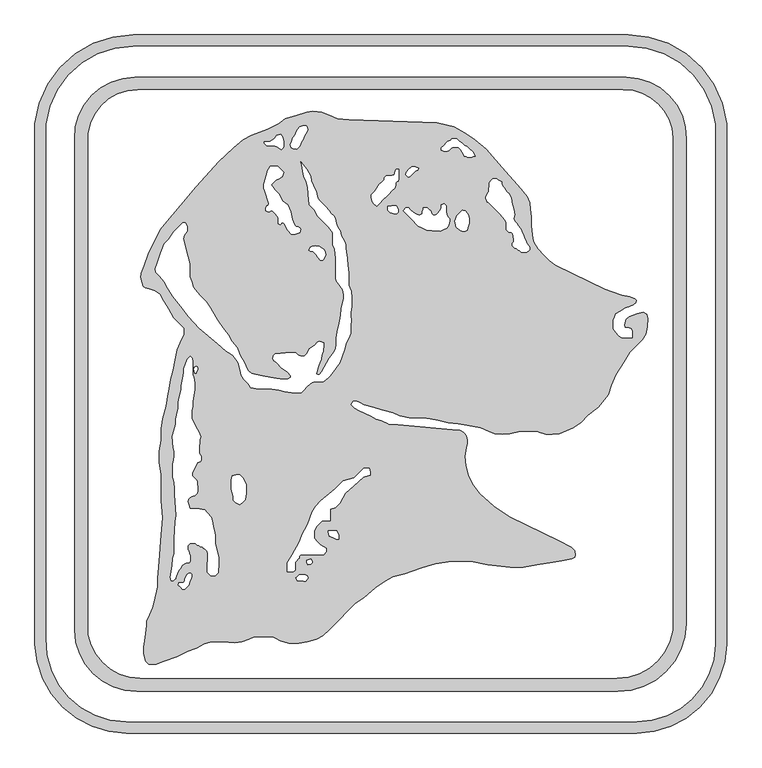
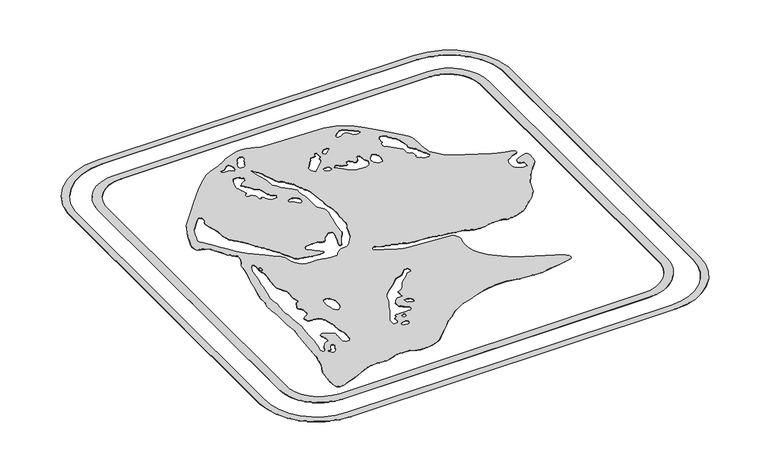
"""IFC4 building model written with IfcOpenShell, lengths in millimetres: proxy geometry."""

from ifc_helpers import new_model, si_unit, point, frame_2d, origin, origin_with_axes, place, context, project, spatial, polyline, circle_curve, trimmed, segment, composite_curve, outline, extrude, source, transform, mapped, element, save


def generic_models_950f86a3(model_context):
    return source(origin(), model_context, "Body", "SweptSolid", [
        extrude(outline(composite_curve([segment(polyline([(-387.0221852, -516.2870504), (-388.6656862, -510.1534214), (-390.5963422, -502.9481152), (-390.5963422, -492.1809), (-388.570592, -475.6824886), (-386.1047062, -455.5994604), (-386.1047062, -449.2494604), (-380.7374542, -437.7393515), (-375.3702023, -426.2292426), (-371.50385, -409.4822309), (-367.2185324, -390.9204812), (-367.2185324, -377.0286593), (-364.6888746, -348.0025917), (-361.5881994, -303.6608696), (-359.1064808, -275.1848718), (-361.5881994, -246.818699), (-361.5881994, -227.768699), (-361.5881994, -202.368699), (-364.8961972, -182.7157831), (-364.8961972, -163.6657831), (-361.5881994, -144.9051954), (-361.5881994, -125.8551954), (-358.6920211, -109.4301525), (-352.9220935, -87.8964894), (-350.0548506, -71.6355467), (-347.8495187, -59.1284882), (-345.0491372, -43.2467355), (-340.8501158, -27.5757741), (-337.7543521, -10.0188261), (-334.8223413, 6.6094334), (-329.4550894, 18.1195423), (-322.6260411, 32.7644838), (-322.6260411, 42.6436383), (-328.2700569, 48.2876542), (-340.5945097, 60.6121069), (-349.0098248, 75.1878603), (-356.7990748, 88.679237), (-363.3654642, 100.0525571), (-371.1420526, 105.4977829), (-381.5495306, 109.2857951), (-387.8030598, 110.388461), (-391.8910832, 113.2509259), (-393.5345842, 119.3845549), (-395.8237588, 127.9278708), (-394.5141352, 135.3551153), (-390.1704794, 147.2892116), (-381.9983233, 169.7420258), (-363.3599002, 207.9564563), (-351.1147963, 222.5496029), (-328.6289441, 249.347198), (-303.0444505, 279.8376102), (-264.8036363, 322.3083369), (-239.784168, 345.6393686), (-223.8861899, 358.9793562), (-209.4935982, 366.312748), (-183.004596, 376.4809232), (-164.1657871, 386.0797758), (-153.0579989, 393.8575328), (-133.3679753, 400.2552093), (-117.1409629, 404.7640051), (-107.5709536, 406.451456), (-92.3904601, 405.1233349), (-73.4454568, 397.8510295), (-65.9527987, 394.3571456), (-46.9752897, 392.6968287), (101.2689628, 387.5200254), (129.0439627, 381.1076614), (148.8485778, 369.6734615), (164.6417436, 359.0208367), (184.0992724, 342.6940314), (210.0611888, 312.8282631), (241.6110499, 276.5342996), (252.4928105, 263.0964444), (256.9311042, 253.5784928), (258.0982864, 242.4734962), (259.4257978, 229.8430682), (259.4257978, 214.5035394), (261.6809886, 193.0468328), (263.3244895, 186.9132038), (270.6089103, 176.5099729), (280.3436717, 164.908536), (289.3239278, 155.9282799), (299.7271587, 148.6438591), (382.6918937, 108.1792542), (394.62599, 103.8355984), (411.440709, 97.7155412), (424.3033779, 95.4475056), (432.8411556, 92.3400086), (435.2006463, 89.9805179), (434.3908653, 85.3880214), (430.8265137, 81.8236699), (423.3153218, 79.0898196), (417.3482737, 76.9179917), (409.6505392, 72.4737026), (400.2854716, 67.0667783), (398.4303112, 61.9697671), (396.2584833, 56.002719), (396.2584833, 50.829182), (396.2584833, 42.1897215), (400.0256305, 35.6648311), (405.1350926, 30.555369), (410.520198, 27.1903817), (414.2839187, 25.8204994), (419.2438797, 25.8204994), (425.5938797, 25.8204994), (429.3185399, 26.8185191), (429.3185399, 29.9897387), (429.3185399, 37.5629264), (428.1446585, 41.9439116), (424.2142475, 43.3744642), (417.1121039, 44.6267637), (415.9795587, 48.85348), (419.1440533, 57.5478574), (423.6341814, 62.0379854), (437.1731903, 66.9657817), (447.6252193, 69.7663944), (453.0103247, 66.4014071), (454.8757895, 59.4393978), (453.6457366, 45.3798288), (451.4404047, 32.8727703), (445.3343272, 23.1010036), (434.9146055, 12.6812819), (424.389588, 2.1562644), (414.294626, -13.9990518), (400.8346767, -35.5394734), (393.6984211, -53.2023259), (388.8213713, -69.154437), (371.6635727, -89.6023051), (354.3670776, -103.6087307), (342.3284598, -115.6473485), (330.2754536, -124.4043701), (305.9657367, -134.2261333), (294.9019415, -135.1940899), (283.5695635, -135.1940899), (272.8642, -131.9211318), (268.3877666, -130.2918433), (247.7542097, -130.2918433), (237.7211671, -131.1696208), (223.4232099, -134.2087454), (210.7715373, -135.3156234), (198.1198646, -134.2087454), (187.7072639, -129.7888586), (174.6002501, -124.2252614), (151.9699741, -120.2349331), (136.6735823, -117.5377666), (119.7933792, -116.0609402), (103.4260726, -111.6753336), (90.0031609, -109.3085121), (77.4961025, -107.1031802), (54.9364475, -107.1031802), (39.1359919, -104.3171336), (27.625883, -98.9498817), (8.2851408, -93.7675454), (-5.2445192, -90.1422839), (-20.7601464, -85.9848841), (-30.0799246, -80.6041077), (-36.2135536, -78.9606068), (-39.8215072, -79.927355), (-42.1131699, -82.2190177), (-43.1058604, -85.9237891), (-37.6631509, -91.3664986), (-30.264795, -95.6379414), (-21.0588951, -99.9307229), (-9.5487863, -105.2979749), (-1.3639049, -110.0235183), (7.3597124, -112.3610045), (18.8698213, -117.7282565), (19.7518288, -117.9645896), (35.3706342, -119.3310581), (135.8204689, -128.1192798)]), True, "CONTINUOUS"), segment(trimmed(circle_curve(frame_2d((134.2721061, -145.8171478)), 17.765471), [point((135.8204689, -128.1192798))], [point((151.9699741, -144.268785))], False, "CARTESIAN"), True, "CONTINUOUS"), segment(polyline([(151.9699741, -144.268785), (151.9699741, -151.424663), (150.3264732, -157.558292), (147.8470875, -171.619587), (149.2610704, -187.7814856), (153.3146589, -204.0395412), (160.4894751, -218.1209109), (172.972362, -234.6862612), (196.5672102, -255.931158), (222.25702, -273.2591535), (305.6754985, -313.945064), (326.3816289, -324.9547088), (332.2477148, -330.8207947), (333.3049919, -337.0821576), (332.366378, -341.4979888), (327.6641026, -344.2128488), (310.3886363, -347.129938), (295.0851738, -349.7140399), (268.3556496, -354.2275161), (246.1171956, -357.9826422), (224.0653531, -357.9826422), (186.1740689, -354.0001078), (158.1523894, -348.0439159), (126.4023894, -348.0439159), (98.6810762, -352.724863), (75.7225737, -358.8765752), (47.1147148, -369.2889843), (27.4311212, -374.5631873), (13.2583327, -381.7845837), (-2.3465137, -392.7112148), (-21.8040426, -409.0380201), (-35.9112623, -418.9160017), (-47.5201997, -430.5249391), (-64.7879174, -447.7926568), (-79.8889632, -462.8937026), (-90.1871346, -473.191874), (-101.2948049, -479.3489562), (-116.2629719, -483.3596645), (-130.876457, -485.6742131), (-147.4696018, -485.6742131), (-161.6010697, -481.8876977), (-169.2063943, -477.4967615), (-172.4905203, -475.9653484), (-191.4941155, -474.6364875), (-205.5981047, -474.6364875), (-214.5095022, -479.1770714), (-226.4435985, -483.5207272), (-237.8171398, -484.9299091), (-257.9693803, -483.5207272), (-277.0193803, -483.5207272), (-289.2866383, -486.8077291), (-303.0552126, -493.8231681), (-317.1611792, -498.9573201), (-335.3620154, -508.2311093), (-356.7826475, -516.0275818), (-369.8320572, -520.7771785), (-382.5320572, -520.7771785), (-387.0221852, -516.2870504)]), True, "CONTINUOUS")], self_intersect=False), holes=[polyline([(-179.6488264, 355.6513622), (-188.3812356, 355.6513622), (-188.3812356, 352.9892428), (-184.6463728, 349.2543801), (-173.4809419, 349.2543801), (-167.5138938, 347.0825521), (-160.4107015, 342.1088433), (-157.4150315, 345.1045133), (-155.5470292, 346.9725156), (-155.5470292, 355.6513622), (-157.6056505, 363.3342415), (-161.2478609, 368.5358569), (-167.3814899, 366.892356), (-171.0237003, 361.6907405), (-179.6488264, 355.6513622)]), polyline([(-143.0665081, 345.3534032), (-139.7181112, 344.1346864), (-134.1979606, 343.288021), (-129.5983622, 347.4537785), (-127.4993523, 351.0893705), (-126.1613584, 354.7654783), (-122.803197, 359.5614298), (-121.3241433, 365.0813335), (-117.0539783, 371.1797611), (-115.4627868, 375.5515238), (-116.5484038, 379.6031016), (-118.3314162, 382.1495072), (-123.6916371, 382.1495072), (-129.1571308, 380.6850326), (-132.2173739, 376.3145525), (-134.9626843, 372.3938429), (-136.8382893, 367.2406606), (-140.4804996, 362.0390452), (-142.373282, 356.8386684), (-144.5451099, 350.8716202), (-143.0665081, 345.3534032)]), polyline([(-4.4901281, 251.8198767), (0.0, 247.3297486), (2.620586, 249.9503346), (6.1688391, 253.4985877), (10.6589671, 257.9887157), (16.0844552, 263.4142038), (20.5745833, 267.9043319), (25.775359, 273.1051076), (30.265487, 277.5952356), (31.6944755, 282.9282934), (31.6944755, 286.5615021), (34.179344, 289.0463705), (36.0966302, 289.0463705), (37.1650284, 293.0336868), (37.1650284, 296.4474859), (37.1650284, 302.7974859), (37.1650284, 309.1474859), (33.2236349, 309.1474859), (31.0407512, 306.9646022), (29.1554044, 299.928392), (22.9018751, 298.8257261), (15.985231, 298.8257261), (12.6315469, 295.472042), (12.6315469, 292.0740169), (9.1851085, 288.6275786), (4.6949805, 284.1374505), (-3.52325, 272.4006009), (-9.0723197, 266.8515313), (-9.0723197, 262.7449421), (-7.7144754, 255.044224), (-4.4901281, 251.8198767)]), polyline([(48.7516625, 300.5094993), (53.247593, 296.0135688), (55.6127412, 297.1164555), (58.6329503, 300.1366646), (61.4561893, 302.9599036), (64.6904683, 306.1941826), (68.9256181, 308.1690654), (70.8756419, 310.953988), (65.1205875, 313.637614), (58.7705875, 313.637614), (54.2804594, 309.1474859), (49.889705, 304.7567315), (48.7516625, 300.5094993)]), polyline([(18.871427, 247.2076504), (18.871427, 240.7565563), (20.5485423, 239.079441), (22.9838576, 236.6441257), (29.1174866, 235.0006248), (33.411554, 235.0006248), (35.9690012, 237.5580719), (35.9690012, 242.565715), (33.2853752, 248.3207694), (25.1842383, 248.3207694), (18.871427, 247.2076504)]), polyline([(49.2458802, 244.5228839), (44.3244049, 239.6014086), (50.3157449, 233.6100687), (56.175311, 227.7505026), (61.055019, 222.8707946), (65.545147, 218.3806665), (70.0352751, 213.8905384), (77.1375241, 210.5787053), (84.0529324, 207.3539975), (93.6726087, 206.5123849), (106.3242813, 205.4055069), (111.8109754, 207.9639944), (117.5660298, 210.6476203), (121.1173608, 215.7194466), (123.025541, 222.8408718), (123.025541, 226.2356208), (120.0594173, 229.2017445), (117.9378183, 233.7515283), (117.1824134, 238.0356425), (117.1824134, 241.9707694), (117.1824134, 248.3207694), (113.8558728, 251.64731), (112.5498839, 251.64731), (108.7236118, 249.86309), (108.7236118, 245.2252504), (106.0495716, 239.4907528), (101.5594436, 235.0006248), (99.5552691, 232.9964503), (95.2815906, 232.2428855), (92.5238513, 235.0006248), (90.4036738, 239.5473599), (87.2082925, 242.7427412), (84.7257833, 245.2252504), (78.3757833, 245.2252504), (78.3757833, 242.30421), (76.8509522, 239.0341992), (76.8509522, 235.0006248), (71.0958978, 232.3169988), (65.3408433, 235.0006248), (61.0770881, 236.9888465), (56.5869601, 241.4789745), (53.5430507, 244.5228839), (49.2458802, 244.5228839)]), polyline([(118.5411052, 339.6818052), (120.9739017, 340.8162368), (125.2297797, 345.0721148), (128.9752794, 346.81867), (132.4485199, 346.81867), (136.6390283, 346.81867), (138.5493106, 344.9083877), (141.4636112, 341.9940871), (143.3192441, 338.0146695), (144.1990609, 337.1348527), (146.8624682, 331.4231574), (149.9107562, 331.4231574), (151.898667, 329.4352466), (154.6772594, 329.4352466), (159.2709344, 329.4352466), (163.5340228, 331.4231574), (165.5138804, 331.4231574), (162.259759, 338.4016433), (160.6384282, 340.0229741), (155.4368127, 343.6651845), (152.1327902, 346.9692069), (151.2558309, 347.8461663), (147.1992626, 349.7377751), (144.0343037, 352.902734), (137.9517305, 357.1617977), (134.6913719, 360.4221563), (128.3413719, 360.4221563), (126.1162191, 360.4221563), (124.1720169, 358.4779541), (119.7177557, 356.400898), (116.0615685, 352.7447107), (113.2137398, 349.8968821), (108.7236118, 345.406754), (108.7236118, 341.298724), (112.1911052, 339.6818052), (118.5411052, 339.6818052)]), polyline([(183.0835723, 260.4776497), (185.8632454, 254.5166215), (186.5000261, 255.1534022), (196.5422216, 245.1112067), (206.7334832, 234.9199451), (215.9670138, 223.9158518), (217.1807443, 219.386148), (217.1807443, 211.8457371), (217.1807443, 208.2147447), (219.370396, 206.0250931), (221.8586978, 203.5367912), (225.4896902, 203.5367912), (228.0389525, 200.9875289), (229.6675605, 191.751234), (229.6675605, 187.8686433), (227.1842496, 185.3853324), (227.1842496, 181.2408543), (231.6743776, 176.7507262), (234.4931039, 176.7507262), (237.7307176, 173.5131125), (240.2148302, 172.3547518), (242.7342288, 169.8353533), (245.8986971, 169.8353533), (252.2486971, 169.8353533), (255.1356178, 172.722274), (257.2514065, 174.8380627), (257.2514065, 178.3054261), (252.7660826, 184.7111325), (251.281721, 187.8943563), (247.7161379, 195.5407738), (247.0792789, 199.152581), (245.1168106, 201.1150492), (243.0836844, 205.4751024), (241.8634547, 210.0290619), (237.3733266, 214.51919), (235.5499653, 218.4294009), (232.3122745, 221.6670917), (229.9927942, 226.6412332), (231.6362952, 232.7748622), (230.0092479, 242.0023059), (226.722246, 254.2695639), (226.722246, 256.5135973), (225.9019887, 261.1655076), (224.1229346, 264.9807016), (222.6791475, 268.076913), (219.5079278, 271.2481326), (216.5526052, 274.2034552), (214.878534, 277.7935126), (211.7430784, 280.9289682), (209.8304008, 285.0307185), (209.8304008, 288.6834316), (202.9861709, 291.8749484), (201.2258983, 293.635221), (194.8758983, 293.635221), (192.0882312, 290.8475538), (189.3320385, 286.9113027), (189.3320385, 280.5613027), (188.4375841, 277.2231536), (188.4375841, 272.1366004), (186.1000653, 269.7990815), (184.4460801, 266.2520989), (183.0835723, 263.3301914), (183.0835723, 260.4776497)]), polyline([(143.3354276, 240.7160734), (139.4061616, 236.7868075), (134.1084548, 231.4891007), (132.8677856, 226.8588602), (130.6703954, 222.1465416), (132.3138963, 216.0129126), (132.3138963, 213.5943723), (134.2550515, 211.6532171), (137.4932046, 208.415064), (141.3318246, 206.6250861), (143.7756504, 205.4855114), (145.4579985, 205.4855114), (148.6619294, 205.4855114), (151.9813749, 207.0333942), (152.8933593, 210.4369665), (153.8624366, 214.0536121), (155.1808113, 218.9738536), (155.1808113, 223.3129064), (155.1808113, 226.1302825), (154.2742707, 231.2715298), (152.1430122, 235.8420284), (148.3915708, 239.5934698), (144.2019569, 240.7160734), (143.3354276, 240.7160734)]), polyline([(-143.4246436, -366.0057369), (-139.6450489, -366.0057369), (-136.850678, -363.2113659), (-136.850678, -360.0676986), (-136.850678, -356.2254386), (-136.850678, -349.8754386), (-134.262288, -347.2870485), (-131.9918616, -345.0166222), (-129.8960834, -342.920844), (-129.8960834, -339.8085094), (-127.0860461, -336.9984721), (-120.7360461, -336.9984721), (-114.3860461, -336.9984721), (-101.6860461, -336.9984721), (-95.3360461, -336.9984721), (-88.9860461, -336.9984721), (-84.495918, -332.508344), (-84.495918, -326.158344), (-94.1968312, -320.5575192), (-98.6869593, -316.0673911), (-105.0250186, -309.7293318), (-105.0250186, -297.0293318), (-100.5797636, -289.3299242), (-91.5995074, -280.3496681), (-84.495918, -280.3496681), (-78.145918, -280.3496681), (-78.145918, -273.9996681), (-78.145918, -266.8960787), (-78.145918, -260.5460787), (-69.4716567, -258.2218173), (-62.0445153, -250.794676), (-52.5195153, -234.296892), (-46.3196071, -228.0969838), (-31.7264605, -215.8518798), (-22.7462044, -206.8716237), (-10.4789464, -203.5846218), (-10.4789464, -198.0230986), (-12.1224473, -191.8894696), (-21.2335806, -191.8894696), (-24.1112898, -194.7671788), (-26.9056607, -197.5615497), (-37.3272807, -207.9831697), (-55.7281676, -212.9136725), (-69.1985518, -226.3840567), (-93.5204629, -246.7925633), (-102.500719, -255.7728194), (-107.8465289, -265.0320338), (-115.4399438, -286.0958328), (-125.0515136, -302.74356), (-129.8960834, -316.1821837), (-141.9143731, -336.9984721), (-149.7746436, -350.61286), (-149.7746436, -366.0057369), (-143.4246436, -366.0057369)]), polyline([(-133.1803049, -381.1927309), (-122.3400603, -382.1411294), (-119.0955005, -381.7089129), (-116.1550072, -378.7684197), (-115.0682212, -375.753723), (-116.6195157, -372.4269611), (-119.9764184, -370.4888524), (-129.8960834, -370.4888524), (-134.1765389, -374.7693079), (-135.5398663, -376.1326353), (-133.1803049, -381.1927309)]), polyline([(-72.4815098, -308.3622681), (-67.5865537, -311.1883724), (-63.1759464, -311.1883724), (-63.1759464, -304.9445595), (-64.3793274, -302.3639005), (-67.0629534, -296.6088461), (-73.4129534, -296.6088461), (-81.1225106, -296.6088461), (-81.1225106, -299.7060686), (-79.4790097, -305.8396976), (-72.4815098, -308.3622681)]), polyline([(-117.2035381, -350.5939187), (-115.4396377, -354.3766153), (-110.3373485, -353.009461), (-108.291007, -350.9631196), (-108.291007, -348.8837761), (-109.4298743, -344.6334654), (-112.5016126, -344.6334654), (-117.2035381, -346.8260093), (-117.2035381, -350.5939187)]), polyline([(-328.9975936, -392.0029402), (-326.155735, -394.8447988), (-323.7122276, -394.8447988), (-321.9839026, -394.8447988), (-318.5579371, -391.4188332), (-315.3199343, -388.1808305), (-313.9234994, -382.9692643), (-310.6878564, -377.3649662), (-309.7949772, -374.0326956), (-309.7949772, -369.7801145), (-311.4803804, -368.0947113), (-315.6062392, -368.0947113), (-318.2525488, -370.7410208), (-321.9839026, -377.2039152), (-321.9839026, -380.779784), (-324.1652589, -384.558004), (-326.2794054, -384.558004), (-328.8465832, -384.558004), (-331.8853055, -384.558004), (-332.8483603, -388.1521735), (-328.9975936, -392.0029402)]), polyline([(-341.1568918, -381.1583871), (-339.4498171, -379.4513124), (-337.348802, -377.3502973), (-336.0461893, -372.4888807), (-334.6361487, -370.0466186), (-333.7119982, -366.5976419), (-331.1953579, -362.2386931), (-329.3531051, -360.3964402), (-326.1781051, -354.8971789), (-320.6788438, -351.7221789), (-314.4253145, -350.619513), (-312.3988515, -348.59305), (-312.3988515, -343.4421867), (-312.3988515, -338.4815184), (-314.4054406, -335.0060042), (-315.2418552, -330.2624608), (-316.8941323, -328.6101838), (-316.8941323, -322.2601838), (-313.6967299, -319.0627814), (-307.4432007, -317.9601155), (-304.8524816, -317.9601155), (-302.4432788, -319.3510694), (-300.7449346, -321.0494136), (-298.4249533, -321.6710507), (-296.3268908, -323.7691132), (-291.8291138, -324.9742889), (-290.520255, -326.2831477), (-287.8330886, -327.8345839), (-285.6664168, -330.0012557), (-284.1930526, -331.4746199), (-283.4125572, -335.9010292), (-283.4125572, -341.3704141), (-283.4125572, -347.7204141), (-284.1911637, -350.6262131), (-284.1911637, -355.8148928), (-284.1911637, -358.7037885), (-284.1911637, -362.3805649), (-284.1911637, -366.3199682), (-281.2901151, -369.2210168), (-278.2699059, -372.241226), (-273.2630901, -372.241226), (-270.6415734, -372.241226), (-267.8122579, -369.4119105), (-265.7112428, -367.3108954), (-265.7112428, -362.5118783), (-264.747594, -357.0467542), (-264.747594, -349.1179072), (-264.747594, -341.8599905), (-269.3629473, -325.7643407), (-270.7390428, -317.9601155), (-270.7390428, -310.4986239), (-270.7390428, -304.1486239), (-272.1409172, -296.1981988), (-273.8912144, -290.0941871), (-274.9938804, -283.8406578), (-277.7159213, -274.347773), (-284.1911637, -266.6308796), (-288.6812917, -262.1407515), (-298.0300688, -260.4923099), (-305.2811602, -260.4923099), (-307.6719641, -260.4923099), (-313.8055931, -258.848809), (-315.2554516, -253.7925513), (-316.8941323, -248.0777928), (-315.9400473, -244.5170994), (-313.9906344, -242.5676865), (-311.1224956, -239.6995477), (-305.0184838, -237.9492505), (-302.8286548, -235.7594215), (-301.243045, -234.1738116), (-300.0487555, -229.7166625), (-300.0487555, -226.234788), (-301.0133184, -215.2097835), (-301.9690442, -211.8767717), (-306.4591722, -207.3866436), (-309.0427856, -204.8030303), (-309.0427856, -200.7140205), (-306.6446135, -195.5711238), (-303.349675, -188.5051055), (-300.666049, -182.750051), (-295.5544106, -181.2843123), (-294.3155431, -178.6275523), (-294.3155431, -174.4382007), (-294.3155431, -172.1730438), (-297.4905431, -166.6737825), (-297.4905431, -162.0553431), (-297.4905431, -155.7053431), (-296.3878771, -149.4518139), (-296.3878771, -144.6891404), (-295.4812721, -139.547528), (-297.4905431, -132.5403676), (-300.6655431, -127.0411063), (-302.1402072, -125.5664422), (-302.755196, -123.4217212), (-309.8624342, -108.1801997), (-309.8624342, -101.8301997), (-309.8624342, -95.4801997), (-308.7597683, -89.2266705), (-308.7597683, -79.6036327), (-307.13347, -70.3804369), (-305.357706, -60.3095791), (-305.357706, -48.4954783), (-306.9329096, -39.5620548), (-308.7597683, -35.6443438), (-308.7597683, -27.8070454), (-308.7597683, -22.9747108), (-308.2408586, -20.0318278), (-308.2408586, -13.6818278), (-309.3435245, -7.4282986), (-312.4378488, -4.3339744), (-317.7896648, -9.6857904), (-319.9614927, -15.6528386), (-323.4686572, -25.2886937), (-323.4686572, -30.5252337), (-324.5713231, -36.7787629), (-326.0999114, -45.4478182), (-327.6219858, -54.0799309), (-327.6219858, -60.4299309), (-330.8964796, -72.6505083), (-332.4586158, -81.5098226), (-332.4586158, -91.6844694), (-335.3298488, -102.400057), (-337.4069689, -110.1519747), (-337.4069689, -118.564331), (-340.4544985, -129.9378663), (-342.7756553, -138.6005415), (-341.1153384, -157.5780505), (-339.3650412, -163.6820623), (-339.3650412, -172.0220334), (-340.4677071, -178.2755626), (-341.7793792, -185.7144245), (-341.7793792, -193.314508), (-341.7793792, -207.3584807), (-339.3650412, -215.7782778), (-338.3791347, -227.0472407), (-338.3791347, -236.2014783), (-335.9186913, -271.3874585), (-337.8358422, -282.2601618), (-339.8161795, -310.580305), (-339.8161795, -335.980305), (-341.7332367, -343.1348599), (-342.619144, -355.8039233), (-344.1814675, -364.6643004), (-346.0034211, -374.9971127), (-344.2367041, -381.1583871), (-341.1568918, -381.1583871)]), polyline([(-300.9115206, -22.0006619), (-303.061099, -21.2182793), (-305.7584378, -22.4760691), (-307.047581, -26.0179609), (-306.4095176, -29.6365981), (-304.8305341, -33.0227392), (-302.9938392, -33.0227392), (-302.3118912, -32.3407912), (-301.4297302, -29.9170738), (-300.4716443, -26.3414485), (-300.4716443, -24.4953246), (-300.9115206, -22.0006619)]), polyline([(-235.9627456, -250.4308683), (-229.2810515, -253.5465935), (-224.9326054, -249.1981473), (-220.4424773, -244.7080193), (-218.6887239, -234.7619892), (-218.6887239, -228.4119892), (-218.6887239, -218.7420727), (-225.0387239, -207.74355), (-229.5288519, -203.253422), (-235.8788519, -203.253422), (-241.9828637, -205.0037192), (-244.0143756, -212.585425), (-244.0143756, -220.4566039), (-244.0143756, -227.3218092), (-240.5137812, -239.5298327), (-240.5137812, -245.8798327), (-235.9627456, -250.4308683)]), polyline([(-370.1796568, 136.5632769), (-364.6362942, 131.0199143), (-355.9938968, 120.3474423), (-350.0875936, 110.1174251), (-342.1438415, 96.3584429), (-328.4091148, 79.3974679), (-315.1906723, 61.8560022), (-297.7393435, 42.4743381), (-266.7127187, 16.4399087), (-252.1195721, 4.1948047), (-241.2335474, -2.3461788), (-235.4422317, -10.0315143), (-232.5885448, -14.9742451), (-230.0441277, -24.4701388), (-227.0257313, -35.7349476), (-222.7724396, -43.1018649), (-215.5771296, -50.2971749), (-210.9840769, -56.856734), (-201.9476107, -58.7774941), (-189.2476107, -58.7774941), (-174.9745544, -59.7755635), (-163.198727, -61.4305481), (-153.8648978, -63.4145147), (-142.5840822, -65.8123261), (-134.640736, -65.8123261), (-126.539355, -65.8123261), (-122.049227, -61.322198), (-117.516236, -55.3067159), (-108.6459633, -48.6224859), (-103.463102, -46.7360787), (-89.6918016, -46.7360787), (-85.9107452, -44.5530848), (-81.4206172, -40.0629567), (-77.930686, -36.5730255), (-68.9340172, -24.6340429), (-61.5253612, -14.8024243), (-58.3278278, -6.0172735), (-54.6147072, 6.1277969), (-50.9015865, 18.2728673), (-45.6412317, 27.3840692), (-43.4945302, 34.4056132), (-43.4945302, 42.3489594), (-43.4945302, 46.9917457), (-42.3788736, 56.0780402), (-43.3143276, 63.6967024), (-43.3143276, 69.079861), (-41.5147947, 79.2855194), (-41.5147947, 94.5996414), (-42.7580102, 104.7248186), (-46.5485434, 115.1392231), (-46.5485434, 127.8392231), (-46.5485434, 135.5962347), (-48.0962841, 148.2015708), (-49.5482622, 160.0269833), (-51.6525599, 177.1651133), (-51.6525599, 182.623571), (-53.5222555, 187.7605174), (-56.9393273, 193.8897743), (-59.7595559, 197.9174782), (-61.4443507, 206.584996), (-64.0066007, 210.2442683), (-67.0550184, 216.7816211), (-68.2666555, 223.0149537), (-69.3463451, 227.0444099), (-72.3685434, 231.3605564), (-76.8586715, 235.8506845), (-79.6278541, 239.8054871), (-86.1540403, 247.583093), (-94.9604901, 255.7952403), (-98.6027005, 260.9968558), (-101.6174974, 272.2482311), (-106.7255315, 282.721253), (-109.6729906, 290.3996464), (-110.552892, 297.5658679), (-117.3801109, 309.390958), (-126.9424793, 322.0806495), (-125.692861, 317.4170106), (-124.3448127, 306.4380381), (-122.1178856, 298.1270329), (-118.2975751, 288.174784), (-115.8693934, 279.1126863), (-114.460434, 267.6376326), (-113.208633, 249.7360454), (-109.2177365, 245.7451489), (-104.7276085, 241.2550208), (-99.9876927, 231.0902385), (-80.9770888, 213.3625636), (-73.334038, 203.2198926), (-73.334038, 193.1180284), (-73.334038, 182.5947337), (-70.5334931, 174.9002997), (-68.7524534, 160.3948956), (-68.7524534, 141.9179816), (-68.7524534, 126.5410843), (-67.7610647, 122.8411713), (-57.1084399, 107.0480055), (-55.045139, 99.3476616), (-55.045139, 92.9976616), (-59.146375, 76.5485025), (-60.6026393, 64.6881809), (-62.9251897, 51.5163435), (-65.6101728, 40.7474642), (-67.3512366, 26.5676377), (-67.9076062, 15.9514728), (-68.8819906, 8.0157486), (-72.3404485, 2.6901904), (-79.2573643, -7.9609258), (-91.9573643, -29.957971), (-95.1304153, -34.168752), (-97.802857, -35.1414412), (-99.7606987, -34.7252891), (-101.1231778, -33.36281), (-100.0262625, -28.2022288), (-97.8544345, -22.2351807), (-95.2621131, -15.112836), (-93.0902852, -9.1457879), (-91.7700459, -2.9345506), (-89.5149909, 4.4414021), (-88.363107, 13.8227435), (-88.7373253, 18.1000781), (-92.5381922, 20.2945096), (-96.6365498, 21.0171607), (-99.9235828, 19.484392), (-104.0052841, 14.6200098), (-112.7466874, 8.4992133), (-117.6537105, 0.0), (-121.6193569, -3.9656464), (-126.7251211, -3.9656464), (-132.6921693, -1.7938185), (-136.0067428, 1.5207549), (-152.5342436, 1.5207549), (-169.9165521, 0.0), (-173.5263479, -3.6097958), (-174.4706199, -8.0522462), (-173.0084273, -11.5219513), (-167.9370919, -15.3434767), (-159.9499489, -23.3306196), (-149.199027, -31.4320204), (-144.0074293, -36.6236181), (-144.0074293, -39.6627064), (-148.087964, -42.0186043), (-157.133944, -42.810025), (-178.5050183, -39.8065163), (-195.7215922, -36.1470206), (-210.4725629, -33.011605), (-216.5759084, -27.89029), (-222.4118224, -14.0419766), (-228.7618224, -3.043454), (-234.1709711, 9.7921679), (-242.7306015, 21.1511811), (-249.0806015, 32.1497038), (-257.9320663, 43.8959942), (-267.5530255, 56.6634383), (-279.4218236, 77.2207997), (-285.8920337, 86.8132806), (-296.404061, 98.4880697), (-308.07883, 111.4542143), (-310.5657055, 120.7353599), (-313.5539538, 128.9455047), (-313.5539538, 138.5273501), (-313.5539538, 151.2273501), (-316.8409557, 163.4946081), (-319.3481013, 172.8514029), (-321.3890307, 180.4682551), (-324.6760326, 192.7355131), (-322.5042046, 198.7025612), (-317.8399337, 205.3638305), (-317.8399337, 214.2138776), (-321.482144, 219.4154931), (-325.2166209, 219.4154931), (-331.1099242, 213.5221898), (-340.0901803, 204.5419336), (-348.8125772, 192.0850599), (-356.7285, 184.1691371), (-362.0273827, 169.6105764), (-367.4795019, 154.6310021), (-371.8231577, 142.6969059), (-370.1796568, 136.5632769)]), polyline([(-178.1362197, 314.6636321), (-182.8551427, 307.6067452), (-186.7479801, 293.0784786), (-189.1214363, 284.2206194), (-189.1214363, 277.8706194), (-187.3340893, 273.2144213), (-185.3316814, 265.7413331), (-183.1598534, 259.7742849), (-181.5293039, 255.2943869), (-180.8187145, 251.6387213), (-182.9042345, 248.6602901), (-184.7691708, 247.9444081), (-186.0310372, 244.4774586), (-186.0310372, 242.1937466), (-186.0310372, 239.9302863), (-182.3494425, 238.5902954), (-179.5024376, 238.5902954), (-176.7550491, 239.9302863), (-175.195644, 239.9302863), (-170.7055159, 235.4401583), (-167.0633056, 230.2385428), (-165.426341, 227.4032371), (-165.426341, 222.979141), (-165.426341, 218.1417942), (-161.5237082, 216.721352), (-160.3461301, 217.8989301), (-160.3461301, 219.4492961), (-156.2740589, 219.4492961), (-154.4076396, 217.5828768), (-152.3335948, 213.3304547), (-149.3243862, 206.8771862), (-143.1261741, 200.678974), (-136.7761741, 200.678974), (-129.2564955, 202.6938658), (-126.9443487, 209.046437), (-129.1261949, 211.2282833), (-131.2283664, 213.3304547), (-135.0333732, 213.3304547), (-137.105156, 215.4022375), (-139.8888128, 221.1095797), (-141.6283397, 225.6412022), (-144.0516139, 238.1078674), (-146.2234419, 244.0749156), (-149.0070986, 249.7822578), (-158.2272928, 256.2383072), (-163.5945447, 267.7484161), (-171.2160161, 275.3698875), (-174.1893441, 280.5198426), (-177.1090061, 283.4395046), (-172.618878, 287.9296326), (-169.4167311, 291.1317795), (-163.7093889, 293.9154363), (-158.2101276, 297.0904363), (-155.5470292, 304.407239), (-161.3132943, 310.173504), (-165.8034223, 314.6636321), (-171.7862197, 314.6636321), (-178.1362197, 314.6636321)]), polyline([(-99.0033853, 161.4849485), (-94.3947802, 156.8763433), (-90.7180781, 156.8763433), (-88.8982904, 158.6961311), (-87.0486455, 161.8998101), (-85.5838928, 165.9241848), (-86.3576691, 169.9049185), (-87.8617155, 174.0372519), (-90.9664763, 177.1420128), (-96.4657376, 180.3170128), (-102.7192668, 181.4196787), (-108.3343753, 180.7302301), (-111.7756824, 178.8116951), (-113.5558687, 173.9206735), (-111.4219326, 171.7867374), (-106.5079412, 170.9202681), (-104.1671363, 168.5794633), (-101.4359472, 165.8482742), (-99.0033853, 161.4849485)])]), origin_with_axes(), (0.0, 0.0, 1.0), 0.396875),
        extrude(outline(composite_curve([segment(trimmed(circle_curve(frame_2d((422.0894468, 368.8170488)), 166.0737066), [point((422.0894468, 534.8907554))], [point((587.2533843, 386.1764782))], False, "CARTESIAN"), True, "CONTINUOUS"), segment(polyline([(587.2533843, 386.1764782), (587.2533843, -487.7764782)]), True, "CONTINUOUS"), segment(trimmed(circle_curve(frame_2d((436.4343628, -485.6568398)), 150.8339156), [point((587.2533843, -487.7764782))], [point((436.4343628, -636.4907554))], False, "CARTESIAN"), True, "CONTINUOUS"), segment(polyline([(436.4343628, -636.4907554), (-419.7123691, -636.4907554)]), True, "CONTINUOUS"), segment(trimmed(circle_curve(frame_2d((-419.7123691, -482.7850674)), 153.705688), [point((-419.7123691, -636.4907554))], [point((-573.3369907, -487.7764782))], False, "CARTESIAN"), True, "CONTINUOUS"), segment(polyline([(-573.3369907, -487.7764782), (-573.3369907, 386.1764782)]), True, "CONTINUOUS"), segment(trimmed(circle_curve(frame_2d((-408.1730532, 368.8170488)), 166.0737066), [point((-573.3369907, 386.1764782))], [point((-408.1730532, 534.8907554))], False, "CARTESIAN"), True, "CONTINUOUS"), segment(polyline([(-408.1730532, 534.8907554), (422.0894468, 534.8907554)]), True, "CONTINUOUS")], self_intersect=False), holes=[composite_curve([segment(polyline([(-554.2869907, 385.1476209), (-554.2869907, -478.1132852)]), True, "CONTINUOUS"), segment(trimmed(circle_curve(frame_2d((-419.7123691, -482.7850674)), 134.655688), [point((-554.2869907, -478.1132852))], [point((-419.7123691, -617.4407554))], True, "CARTESIAN"), True, "CONTINUOUS"), segment(polyline([(-419.7123691, -617.4407554), (436.4343628, -617.4407554)]), True, "CONTINUOUS"), segment(trimmed(circle_curve(frame_2d((436.4343628, -485.6568398)), 131.7839156), [point((436.4343628, -617.4407554))], [point((568.2033843, -487.6381019))], True, "CARTESIAN"), True, "CONTINUOUS"), segment(polyline([(568.2033843, -487.6381019), (568.2033843, 385.1476209)]), True, "CONTINUOUS"), segment(trimmed(circle_curve(frame_2d((422.0894468, 368.8170488)), 147.0237066), [point((568.2033843, 385.1476209))], [point((422.0894468, 515.8407554))], True, "CARTESIAN"), True, "CONTINUOUS"), segment(polyline([(422.0894468, 515.8407554), (-408.1730532, 515.8407554)]), True, "CONTINUOUS"), segment(trimmed(circle_curve(frame_2d((-408.1730532, 368.8170488)), 147.0237066), [point((-408.1730532, 515.8407554))], [point((-554.2869907, 385.1476209))], True, "CARTESIAN"), True, "CONTINUOUS")], self_intersect=False)]), origin_with_axes(), (0.0, 0.0, 1.0), 0.396875),
        extrude(outline(composite_curve([segment(trimmed(circle_curve(frame_2d((418.8406023, 362.6686893)), 100.7879009), [point((418.8406023, 463.4565902))], [point((519.6086166, 360.6666205))], False, "CARTESIAN"), True, "CONTINUOUS"), segment(polyline([(519.6086166, 360.6666205), (519.6086166, -453.2475301)]), True, "CONTINUOUS"), segment(trimmed(circle_curve(frame_2d((404.8129472, -451.7391804)), 114.8055784), [point((519.6086166, -453.2475301))], [point((404.8129472, -566.5447588))], False, "CARTESIAN"), True, "CONTINUOUS"), segment(polyline([(404.8129472, -566.5447588), (-402.0602539, -566.5447588)]), True, "CONTINUOUS"), segment(trimmed(circle_curve(frame_2d((-402.0602539, -461.6742728)), 104.870486), [point((-402.0602539, -566.5447588))], [point((-506.9093521, -463.7921584))], False, "CARTESIAN"), True, "CONTINUOUS"), segment(polyline([(-506.9093521, -463.7921584), (-506.9093521, 360.7039898)]), True, "CONTINUOUS"), segment(trimmed(circle_curve(frame_2d((-406.1406023, 362.6686893)), 100.7879009), [point((-506.9093521, 360.7039898))], [point((-406.1406023, 463.4565902))], False, "CARTESIAN"), True, "CONTINUOUS"), segment(polyline([(-406.1406023, 463.4565902), (418.8406023, 463.4565902)]), True, "CONTINUOUS")], self_intersect=False), holes=[composite_curve([segment(polyline([(-483.5504235, 370.0098313), (-483.5504235, -471.5104999)]), True, "CONTINUOUS"), segment(trimmed(circle_curve(frame_2d((-396.5330466, -456.4647969)), 88.3085334), [point((-483.5504235, -471.5104999))], [point((-396.5330466, -544.7733302))], True, "CARTESIAN"), True, "CONTINUOUS"), segment(polyline([(-396.5330466, -544.7733302), (402.8483133, -544.7733302)]), True, "CONTINUOUS"), segment(trimmed(circle_curve(frame_2d((402.8483133, -449.7617573)), 95.011573), [point((402.8483133, -544.7733302))], [point((496.8450005, -463.611732))], True, "CARTESIAN"), True, "CONTINUOUS"), segment(polyline([(496.8450005, -463.611732), (496.8450005, 362.424267)]), True, "CONTINUOUS"), segment(trimmed(circle_curve(frame_2d((413.3096125, 359.6926225)), 83.5800391), [point((496.8450005, 362.424267))], [point((413.3096125, 443.2726616))], True, "CARTESIAN"), True, "CONTINUOUS"), segment(polyline([(413.3096125, 443.2726616), (-400.6096125, 443.2726616)]), True, "CONTINUOUS"), segment(trimmed(circle_curve(frame_2d((-400.6096125, 359.6926225)), 83.5800391), [point((-400.6096125, 443.2726616))], [point((-483.5504235, 370.0098313))], True, "CARTESIAN"), True, "CONTINUOUS")], self_intersect=False)]), origin_with_axes(), (0.0, 0.0, 1.0), 0.396875),
    ])


if __name__ == "__main__":
    model = new_model("IFC4")
    model_context = context("Model", 3, world=origin())
    ifc_project = project(units=[si_unit("LENGTHUNIT", "METRE", prefix="MILLI")], contexts=[model_context])
    site = spatial("IfcSite", under=ifc_project)
    building = spatial("IfcBuilding", under=site)
    placement = place(None, origin())
    generic_models_shape = generic_models_950f86a3(model_context)
    element("IfcBuildingElementProxy", 1, Name="Generic Models", at=placement, inside=building, context=model_context, shape_type="MappedRepresentation", body=[
        mapped(generic_models_shape, transform((0.0, 0.0, 0.0), x_axis=(1.0, 0.0, 0.0), y_axis=(0.0, 1.0, 0.0), z_axis=(0.0, 0.0, 1.0))),
    ])
    save(model, "model.ifc")
